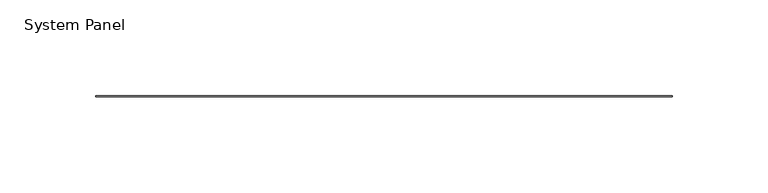
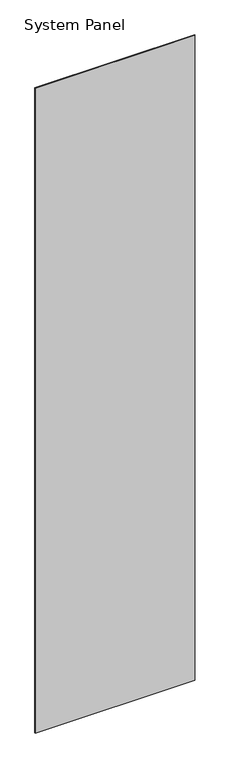
"""IFC4 building model written with IfcOpenShell, lengths in millimetres: plate geometry, System Panel."""

from ifc_helpers import new_model, si_unit, origin, origin_with_axes, place, context, project, spatial, polyline, outline, extrude, source, transform, mapped, element, save


def system_panel_beed7351(model_context):
    return source(origin(), model_context, "Body", "SweptSolid", [
        extrude(outline(polyline([(150.6855, -0.2976563), (-150.6855, -0.2976563), (-150.6855, 0.2976563), (150.6855, 0.2976563), (150.6855, -0.2976563)])), origin_with_axes(), (0.0, 0.0, 1.0), 1285.875),
    ])


if __name__ == "__main__":
    model = new_model("IFC4")
    model_context = context("Model", 3, world=origin())
    ifc_project = project(units=[si_unit("LENGTHUNIT", "METRE", prefix="MILLI")], contexts=[model_context])
    site = spatial("IfcSite", under=ifc_project)
    building = spatial("IfcBuilding", under=site)
    placement = place(None, origin())
    system_panel_shape = system_panel_beed7351(model_context)
    element("IfcPlate", 1, ObjectType="System Panel", at=placement, inside=building, context=model_context, shape_type="MappedRepresentation", body=[
        mapped(system_panel_shape, transform((0.0, 0.0, 0.0), x_axis=(1.0, 0.0, 0.0), y_axis=(0.0, 1.0, 0.0), z_axis=(0.0, 0.0, 1.0))),
    ])
    save(model, "model.ifc")
